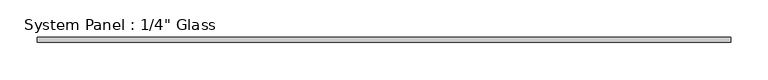
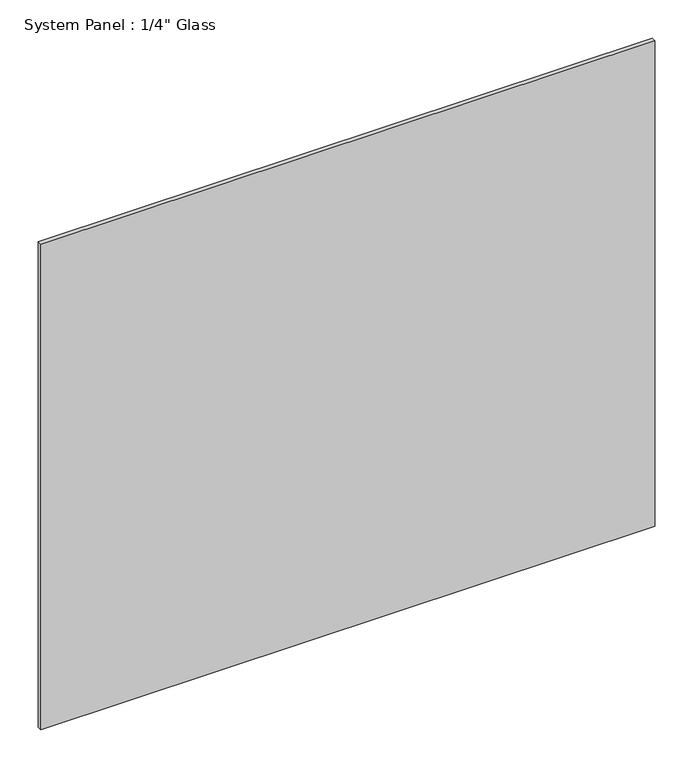
"""IFC4 building model written with IfcOpenShell, lengths in millimetres: plate geometry."""

from ifc_helpers import new_model, si_unit, origin, origin_with_axes, place, context, project, spatial, polyline, outline, extrude, source, transform, mapped, element, save


def plate_956a7f0f(model_context):
    return source(origin(), model_context, "Body", "SweptSolid", [
        extrude(outline(polyline([(463.1158815, -3.175), (-463.1158815, -3.175), (-463.1158815, 3.175), (463.1158815, 3.175), (463.1158815, -3.175)])), origin_with_axes(), (0.0, 0.0, 1.0), 774.7),
    ])


if __name__ == "__main__":
    model = new_model("IFC4")
    model_context = context("Model", 3, world=origin())
    ifc_project = project(units=[si_unit("LENGTHUNIT", "METRE", prefix="MILLI")], contexts=[model_context])
    site = spatial("IfcSite", under=ifc_project)
    building = spatial("IfcBuilding", under=site)
    placement = place(None, origin())
    plate_shape = plate_956a7f0f(model_context)
    element("IfcPlate", 1, ObjectType="System Panel : 1/4\" Glass", at=placement, inside=building, context=model_context, shape_type="MappedRepresentation", body=[
        mapped(plate_shape, transform((0.0, 0.0, 0.0), x_axis=(1.0, 0.0, 0.0), y_axis=(0.0, 1.0, 0.0), z_axis=(0.0, 0.0, 1.0))),
    ])
    save(model, "model.ifc")
